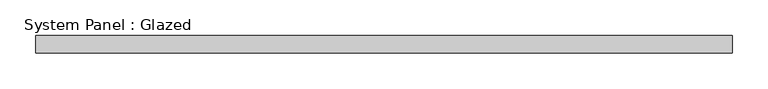
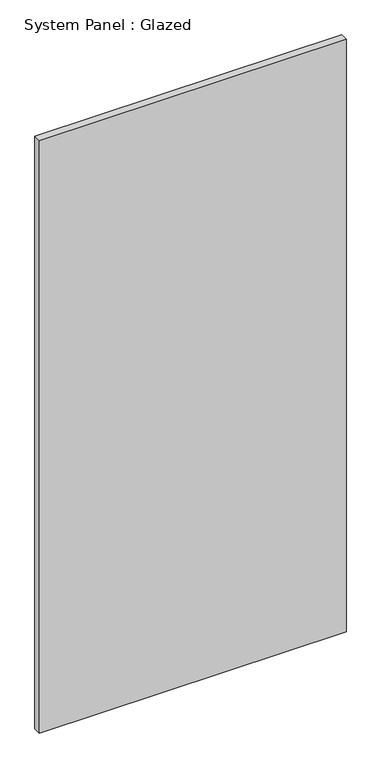
"""IFC4 building model written with IfcOpenShell, lengths in millimetres: plate geometry, System Panel : Glazed."""

from ifc_helpers import new_model, si_unit, origin, origin_with_axes, place, context, project, spatial, polyline, outline, extrude, source, transform, mapped, element, save


def system_panel_glazed_3d153919(model_context):
    return source(origin(), model_context, "Body", "SweptSolid", [
        extrude(outline(polyline([(489.8085781, 24.5), (-489.8085781, 24.5), (-489.8085781, 49.5), (489.8085781, 49.5), (489.8085781, 24.5)])), origin_with_axes(), (0.0, 0.0, 1.0), 2000.0),
    ])


if __name__ == "__main__":
    model = new_model("IFC4")
    model_context = context("Model", 3, world=origin())
    ifc_project = project(units=[si_unit("LENGTHUNIT", "METRE", prefix="MILLI")], contexts=[model_context])
    site = spatial("IfcSite", under=ifc_project)
    building = spatial("IfcBuilding", under=site)
    placement = place(None, origin())
    system_panel_glazed_shape = system_panel_glazed_3d153919(model_context)
    element("IfcPlate", 1, ObjectType="System Panel : Glazed", at=placement, inside=building, context=model_context, shape_type="MappedRepresentation", body=[
        mapped(system_panel_glazed_shape, transform((0.0, 0.0, 0.0), x_axis=(1.0, 0.0, 0.0), y_axis=(0.0, 1.0, 0.0), z_axis=(0.0, 0.0, 1.0))),
    ])
    save(model, "model.ifc")
